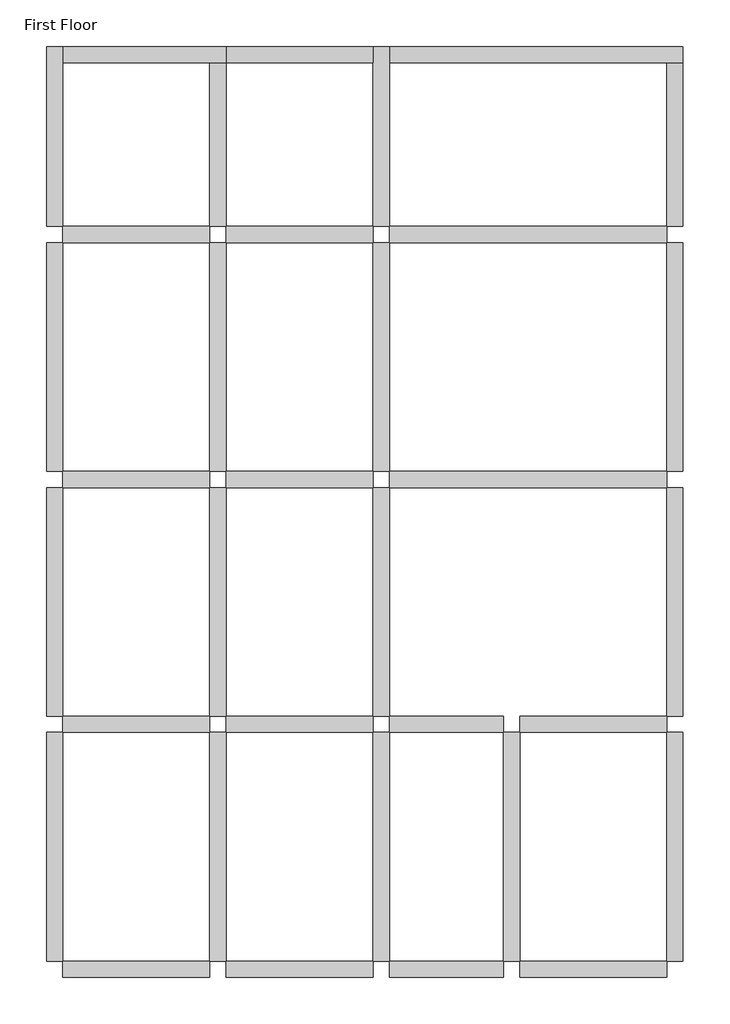
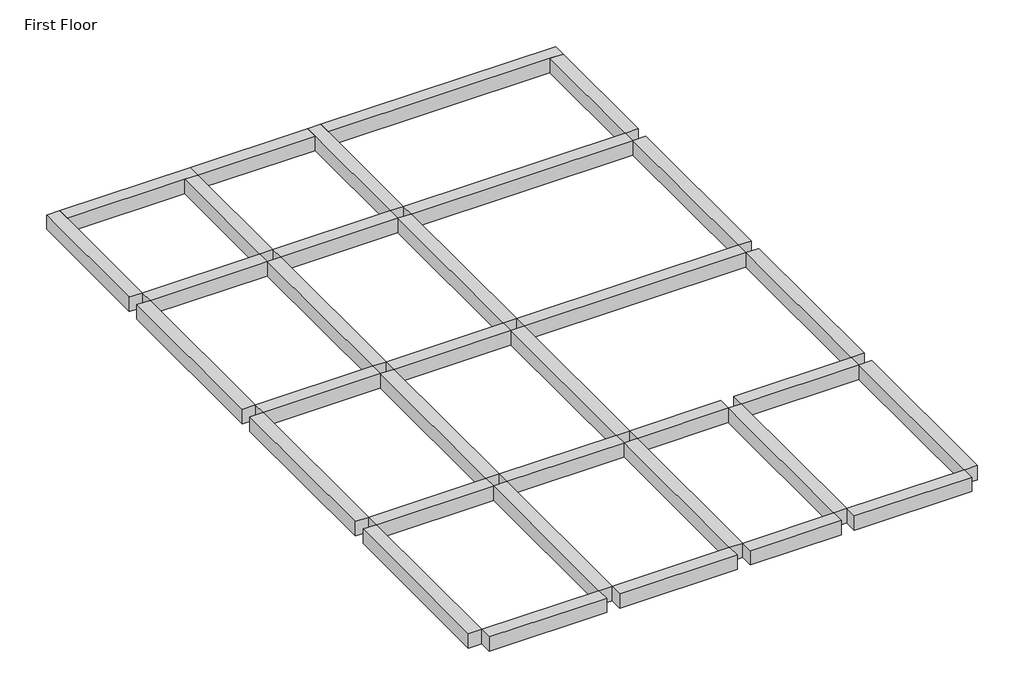
# One storey: 34 beams.
"""IFC4 building model written with IfcOpenShell, lengths in millimetres."""

from ifc_helpers import new_model, si_unit, frame, origin, place, context, project, spatial, polyline, outline, extrude, faceted_brep, element, save

model = new_model("IFC4")

# Units and contexts
model_context = context("Model", 3, world=origin())
ifc_project = project(units=[si_unit("LENGTHUNIT", "METRE", prefix="MILLI")], contexts=[model_context])

# Site, building, storey
site = spatial("IfcSite", under=ifc_project)
building = spatial("IfcBuilding", under=site)
storey = spatial("IfcBuildingStorey", under=building, Name="First Floor", Elevation=2870.2)

# Beams
placement = place(None, origin())
element("IfcBeam", 1, ObjectType="Concrete-Rectangular Beam", at=placement, inside=storey, context=model_context, shape_type="SweptSolid", body=[
    extrude(outline(polyline([(3162.1409002, -15344.0114294), (3162.1409002, -15039.2114294), (5905.3409002, -15039.2114294), (5905.3409002, -15344.0114294), (3162.1409002, -15344.0114294)])), frame((0.0, 0.0, 2514.6), z_axis=(0.0, 0.0, 1.0), x_axis=(1.0, 0.0, 0.0)), (0.0, 0.0, 1.0), 355.6),
])
element("IfcBeam", 2, ObjectType="Concrete-Rectangular Beam", at=placement, inside=storey, context=model_context, shape_type="SweptSolid", body=[
    extrude(outline(polyline([(8953.3409002, -15039.2114294), (8953.3409002, -15344.0114294), (6210.1409002, -15344.0114294), (6210.1409002, -15039.2114294), (8953.3409002, -15039.2114294)])), frame((0.0, 0.0, 2514.6), z_axis=(0.0, 0.0, 1.0), x_axis=(1.0, 0.0, 0.0)), (0.0, 0.0, 1.0), 355.6),
])
element("IfcBeam", 3, ObjectType="Concrete-Rectangular Beam", at=placement, inside=storey, context=model_context, shape_type="SweptSolid", body=[
    extrude(outline(polyline([(9258.1409002, -15344.0114294), (9258.1409002, -15039.2114294), (11391.7409002, -15039.2114294), (11391.7409002, -15344.0114294), (9258.1409002, -15344.0114294)])), frame((0.0, 0.0, 2514.6), z_axis=(0.0, 0.0, 1.0), x_axis=(1.0, 0.0, 0.0)), (0.0, 0.0, 1.0), 355.6),
])
element("IfcBeam", 4, ObjectType="Concrete-Rectangular Beam", at=placement, inside=storey, context=model_context, shape_type="SweptSolid", body=[
    extrude(outline(polyline([(11696.5409002, -15344.0114294), (11696.5409002, -15039.2114294), (14439.7409002, -15039.2114294), (14439.7409002, -15344.0114294), (11696.5409002, -15344.0114294)])), frame((0.0, 0.0, 2514.6), z_axis=(0.0, 0.0, 1.0), x_axis=(1.0, 0.0, 0.0)), (0.0, 0.0, 1.0), 355.6),
])
element("IfcBeam", 5, ObjectType="Concrete-Rectangular Beam", at=placement, inside=storey, context=model_context, shape_type="SweptSolid", body=[
    extrude(outline(polyline([(3162.1409002, -10772.0114294), (3162.1409002, -10467.2114294), (5905.3409002, -10467.2114294), (5905.3409002, -10772.0114294), (3162.1409002, -10772.0114294)])), frame((0.0, 0.0, 2514.6), z_axis=(0.0, 0.0, 1.0), x_axis=(1.0, 0.0, 0.0)), (0.0, 0.0, 1.0), 355.6),
])
element("IfcBeam", 6, ObjectType="Concrete-Rectangular Beam", at=placement, inside=storey, context=model_context, shape_type="SweptSolid", body=[
    extrude(outline(polyline([(8953.3409002, -10467.2114294), (8953.3409002, -10772.0114294), (6210.1409002, -10772.0114294), (6210.1409002, -10467.2114294), (8953.3409002, -10467.2114294)])), frame((0.0, 0.0, 2514.6), z_axis=(0.0, 0.0, 1.0), x_axis=(1.0, 0.0, 0.0)), (0.0, 0.0, 1.0), 355.6),
])
element("IfcBeam", 7, ObjectType="Concrete-Rectangular Beam", at=placement, inside=storey, context=model_context, shape_type="SweptSolid", body=[
    extrude(outline(polyline([(9258.1409002, -10772.0114294), (9258.1409002, -10467.2114294), (11391.7409002, -10467.2114294), (11391.7409002, -10772.0114294), (9258.1409002, -10772.0114294)])), frame((0.0, 0.0, 2514.6), z_axis=(0.0, 0.0, 1.0), x_axis=(1.0, 0.0, 0.0)), (0.0, 0.0, 1.0), 355.6),
])
element("IfcBeam", 8, ObjectType="Concrete-Rectangular Beam", at=placement, inside=storey, context=model_context, shape_type="SweptSolid", body=[
    extrude(outline(polyline([(11696.5409002, -10772.0114294), (11696.5409002, -10467.2114294), (14439.7409002, -10467.2114294), (14439.7409002, -10772.0114294), (11696.5409002, -10772.0114294)])), frame((0.0, 0.0, 2514.6), z_axis=(0.0, 0.0, 1.0), x_axis=(1.0, 0.0, 0.0)), (0.0, 0.0, 1.0), 355.6),
])
element("IfcBeam", 9, ObjectType="Concrete-Rectangular Beam", at=placement, inside=storey, context=model_context, shape_type="SweptSolid", body=[
    extrude(outline(polyline([(3162.1409002, -6200.0114294), (3162.1409002, -5895.2114294), (5905.3409002, -5895.2114294), (5905.3409002, -6200.0114294), (3162.1409002, -6200.0114294)])), frame((0.0, 0.0, 2514.6), z_axis=(0.0, 0.0, 1.0), x_axis=(1.0, 0.0, 0.0)), (0.0, 0.0, 1.0), 355.6),
])
element("IfcBeam", 10, ObjectType="Concrete-Rectangular Beam", at=placement, inside=storey, context=model_context, shape_type="SweptSolid", body=[
    extrude(outline(polyline([(8953.3409002, -5895.2114294), (8953.3409002, -6200.0114294), (6210.1409002, -6200.0114294), (6210.1409002, -5895.2114294), (8953.3409002, -5895.2114294)])), frame((0.0, 0.0, 2514.6), z_axis=(0.0, 0.0, 1.0), x_axis=(1.0, 0.0, 0.0)), (0.0, 0.0, 1.0), 355.6),
])
element("IfcBeam", 11, ObjectType="Concrete-Rectangular Beam", at=placement, inside=storey, context=model_context, shape_type="SweptSolid", body=[
    extrude(outline(polyline([(9258.1409002, -6200.0114294), (9258.1409002, -5895.2114294), (14439.7409002, -5895.2114294), (14439.7409002, -6200.0114294), (9258.1409002, -6200.0114294)])), frame((0.0, 0.0, 2514.6), z_axis=(0.0, 0.0, 1.0), x_axis=(1.0, 0.0, 0.0)), (0.0, 0.0, 1.0), 355.6),
])
element("IfcBeam", 12, ObjectType="Concrete-Rectangular Beam", at=placement, inside=storey, context=model_context, shape_type="Brep", body=[
    faceted_brep([(3162.1409002, 2029.5885706, 2870.2), (2857.3409002, 2029.5885706, 2870.2), (2857.3409002, -1323.2114294, 2870.2), (3162.1409002, -1323.2114294, 2870.2), (3162.1409002, 1724.7885706, 2870.2), (2857.3409002, 2029.5885706, 2514.6), (2857.3409002, -1323.2114294, 2514.6), (3162.1409002, 2029.5885706, 2514.6), (3162.1409002, 1724.7885706, 2514.6), (3162.1409002, -1323.2114294, 2514.6)], [[[0, 1, 2, 3, 4]], [[1, 5, 6, 2]], [[5, 7, 8, 9, 6]], [[7, 0, 4, 3, 9, 8]], [[3, 2, 6, 9]], [[1, 0, 7, 5]]]),
])
element("IfcBeam", 13, ObjectType="Concrete-Rectangular Beam", at=placement, inside=storey, context=model_context, shape_type="SweptSolid", body=[
    extrude(outline(polyline([(3162.1409002, -5895.2114294), (2857.3409002, -5895.2114294), (2857.3409002, -1628.0114294), (3162.1409002, -1628.0114294), (3162.1409002, -5895.2114294)])), frame((0.0, 0.0, 2514.6), z_axis=(0.0, 0.0, 1.0), x_axis=(1.0, 0.0, 0.0)), (0.0, 0.0, 1.0), 355.6),
])
element("IfcBeam", 14, ObjectType="Concrete-Rectangular Beam", at=placement, inside=storey, context=model_context, shape_type="SweptSolid", body=[
    extrude(outline(polyline([(3162.1409002, -10467.2114294), (2857.3409002, -10467.2114294), (2857.3409002, -6200.0114294), (3162.1409002, -6200.0114294), (3162.1409002, -10467.2114294)])), frame((0.0, 0.0, 2514.6), z_axis=(0.0, 0.0, 1.0), x_axis=(1.0, 0.0, 0.0)), (0.0, 0.0, 1.0), 355.6),
])
element("IfcBeam", 15, ObjectType="Concrete-Rectangular Beam", at=placement, inside=storey, context=model_context, shape_type="SweptSolid", body=[
    extrude(outline(polyline([(3162.1409002, -15039.2114294), (2857.3409002, -15039.2114294), (2857.3409002, -10772.0114294), (3162.1409002, -10772.0114294), (3162.1409002, -15039.2114294)])), frame((0.0, 0.0, 2514.6), z_axis=(0.0, 0.0, 1.0), x_axis=(1.0, 0.0, 0.0)), (0.0, 0.0, 1.0), 355.6),
])
element("IfcBeam", 16, ObjectType="Concrete-Rectangular Beam", at=placement, inside=storey, context=model_context, shape_type="Brep", body=[
    faceted_brep([(9258.1409002, 2029.5885706, 2870.2), (8953.3409002, 2029.5885706, 2870.2), (8953.3409002, 1724.7885706, 2870.2), (8953.3409002, -1323.2114294, 2870.2), (9258.1409002, -1323.2114294, 2870.2), (9258.1409002, 1724.7885706, 2870.2), (8953.3409002, 2029.5885706, 2514.6), (8953.3409002, 1724.7885706, 2514.6), (8953.3409002, -1323.2114294, 2514.6), (9258.1409002, 2029.5885706, 2514.6), (9258.1409002, 1724.7885706, 2514.6), (9258.1409002, -1323.2114294, 2514.6)], [[[0, 1, 2, 3, 4, 5]], [[1, 6, 7, 8, 3, 2]], [[6, 9, 10, 11, 8, 7]], [[9, 0, 5, 4, 11, 10]], [[4, 3, 8, 11]], [[1, 0, 9, 6]]]),
])
element("IfcBeam", 17, ObjectType="Concrete-Rectangular Beam", at=placement, inside=storey, context=model_context, shape_type="SweptSolid", body=[
    extrude(outline(polyline([(9258.1409002, -5895.2114294), (8953.3409002, -5895.2114294), (8953.3409002, -1628.0114294), (9258.1409002, -1628.0114294), (9258.1409002, -5895.2114294)])), frame((0.0, 0.0, 2514.6), z_axis=(0.0, 0.0, 1.0), x_axis=(1.0, 0.0, 0.0)), (0.0, 0.0, 1.0), 355.6),
])
element("IfcBeam", 18, ObjectType="Concrete-Rectangular Beam", at=placement, inside=storey, context=model_context, shape_type="SweptSolid", body=[
    extrude(outline(polyline([(9258.1409002, -10467.2114294), (8953.3409002, -10467.2114294), (8953.3409002, -6200.0114294), (9258.1409002, -6200.0114294), (9258.1409002, -10467.2114294)])), frame((0.0, 0.0, 2514.6), z_axis=(0.0, 0.0, 1.0), x_axis=(1.0, 0.0, 0.0)), (0.0, 0.0, 1.0), 355.6),
])
element("IfcBeam", 19, ObjectType="Concrete-Rectangular Beam", at=placement, inside=storey, context=model_context, shape_type="SweptSolid", body=[
    extrude(outline(polyline([(9258.1409002, -15039.2114294), (8953.3409002, -15039.2114294), (8953.3409002, -10772.0114294), (9258.1409002, -10772.0114294), (9258.1409002, -15039.2114294)])), frame((0.0, 0.0, 2514.6), z_axis=(0.0, 0.0, 1.0), x_axis=(1.0, 0.0, 0.0)), (0.0, 0.0, 1.0), 355.6),
])
element("IfcBeam", 20, ObjectType="Concrete-Rectangular Beam", at=placement, inside=storey, context=model_context, shape_type="SweptSolid", body=[
    extrude(outline(polyline([(11696.5409002, -15039.2114294), (11391.7409002, -15039.2114294), (11391.7409002, -10772.0114294), (11696.5409002, -10772.0114294), (11696.5409002, -15039.2114294)])), frame((0.0, 0.0, 2514.6), z_axis=(0.0, 0.0, 1.0), x_axis=(1.0, 0.0, 0.0)), (0.0, 0.0, 1.0), 355.6),
])
element("IfcBeam", 21, ObjectType="Concrete-Rectangular Beam", at=placement, inside=storey, context=model_context, shape_type="SweptSolid", body=[
    extrude(outline(polyline([(3162.1409002, -1628.0114294), (3162.1409002, -1323.2114294), (5905.3409002, -1323.2114294), (5905.3409002, -1628.0114294), (3162.1409002, -1628.0114294)])), frame((0.0, 0.0, 2514.6), z_axis=(0.0, 0.0, 1.0), x_axis=(1.0, 0.0, 0.0)), (0.0, 0.0, 1.0), 355.6),
])
element("IfcBeam", 22, ObjectType="Concrete-Rectangular Beam", at=placement, inside=storey, context=model_context, shape_type="SweptSolid", body=[
    extrude(outline(polyline([(8953.3409002, -1323.2114294), (8953.3409002, -1628.0114294), (6210.1409002, -1628.0114294), (6210.1409002, -1323.2114294), (8953.3409002, -1323.2114294)])), frame((0.0, 0.0, 2514.6), z_axis=(0.0, 0.0, 1.0), x_axis=(1.0, 0.0, 0.0)), (0.0, 0.0, 1.0), 355.6),
])
element("IfcBeam", 23, ObjectType="Concrete-Rectangular Beam", at=placement, inside=storey, context=model_context, shape_type="SweptSolid", body=[
    extrude(outline(polyline([(9258.1409002, -1628.0114294), (9258.1409002, -1323.2114294), (14439.7409002, -1323.2114294), (14439.7409002, -1628.0114294), (9258.1409002, -1628.0114294)])), frame((0.0, 0.0, 2514.6), z_axis=(0.0, 0.0, 1.0), x_axis=(1.0, 0.0, 0.0)), (0.0, 0.0, 1.0), 355.6),
])
element("IfcBeam", 24, ObjectType="Concrete-Rectangular Beam", at=placement, inside=storey, context=model_context, shape_type="Brep", body=[
    faceted_brep([(6210.1409002, 1724.7885706, 2870.2), (6210.1409002, 2029.5885706, 2870.2), (3162.1409002, 2029.5885706, 2870.2), (3162.1409002, 1724.7885706, 2870.2), (5905.3409002, 1724.7885706, 2870.2), (6210.1409002, 1724.7885706, 2514.6), (3162.1409002, 1724.7885706, 2514.6), (5905.3409002, 1724.7885706, 2514.6), (6210.1409002, 2029.5885706, 2514.6), (3162.1409002, 2029.5885706, 2514.6)], [[[0, 1, 2, 3, 4]], [[5, 0, 4, 3, 6, 7]], [[8, 5, 7, 6, 9]], [[1, 8, 9, 2]], [[3, 2, 9, 6]], [[1, 0, 5, 8]]]),
])
element("IfcBeam", 25, ObjectType="Concrete-Rectangular Beam", at=placement, inside=storey, context=model_context, shape_type="SweptSolid", body=[
    extrude(outline(polyline([(8953.3409002, 2029.5885706), (8953.3409002, 1724.7885706), (6210.1409002, 1724.7885706), (6210.1409002, 2029.5885706), (8953.3409002, 2029.5885706)])), frame((0.0, 0.0, 2514.6), z_axis=(0.0, 0.0, 1.0), x_axis=(1.0, 0.0, 0.0)), (0.0, 0.0, 1.0), 355.6),
])
element("IfcBeam", 26, ObjectType="Concrete-Rectangular Beam", at=placement, inside=storey, context=model_context, shape_type="Brep", body=[
    faceted_brep([(14744.5409002, 1724.7885706, 2870.2), (14744.5409002, 2029.5885706, 2870.2), (9258.1409002, 2029.5885706, 2870.2), (9258.1409002, 1724.7885706, 2870.2), (14439.7409002, 1724.7885706, 2870.2), (14744.5409002, 1724.7885706, 2514.6), (9258.1409002, 1724.7885706, 2514.6), (14439.7409002, 1724.7885706, 2514.6), (14744.5409002, 2029.5885706, 2514.6), (9258.1409002, 2029.5885706, 2514.6)], [[[0, 1, 2, 3, 4]], [[5, 0, 4, 3, 6, 7]], [[8, 5, 7, 6, 9]], [[1, 8, 9, 2]], [[3, 2, 9, 6]], [[1, 0, 5, 8]]]),
])
element("IfcBeam", 27, ObjectType="Concrete-Rectangular Beam", at=placement, inside=storey, context=model_context, shape_type="SweptSolid", body=[
    extrude(outline(polyline([(14744.5409002, -1323.2114294), (14439.7409002, -1323.2114294), (14439.7409002, 1724.7885706), (14744.5409002, 1724.7885706), (14744.5409002, -1323.2114294)])), frame((0.0, 0.0, 2514.6), z_axis=(0.0, 0.0, 1.0), x_axis=(1.0, 0.0, 0.0)), (0.0, 0.0, 1.0), 355.6),
])
element("IfcBeam", 28, ObjectType="Concrete-Rectangular Beam", at=placement, inside=storey, context=model_context, shape_type="SweptSolid", body=[
    extrude(outline(polyline([(14744.5409002, -5895.2114294), (14439.7409002, -5895.2114294), (14439.7409002, -1628.0114294), (14744.5409002, -1628.0114294), (14744.5409002, -5895.2114294)])), frame((0.0, 0.0, 2514.6), z_axis=(0.0, 0.0, 1.0), x_axis=(1.0, 0.0, 0.0)), (0.0, 0.0, 1.0), 355.6),
])
element("IfcBeam", 29, ObjectType="Concrete-Rectangular Beam", at=placement, inside=storey, context=model_context, shape_type="SweptSolid", body=[
    extrude(outline(polyline([(14744.5409002, -10467.2114294), (14439.7409002, -10467.2114294), (14439.7409002, -6200.0114294), (14744.5409002, -6200.0114294), (14744.5409002, -10467.2114294)])), frame((0.0, 0.0, 2514.6), z_axis=(0.0, 0.0, 1.0), x_axis=(1.0, 0.0, 0.0)), (0.0, 0.0, 1.0), 355.6),
])
element("IfcBeam", 30, ObjectType="Concrete-Rectangular Beam", at=placement, inside=storey, context=model_context, shape_type="SweptSolid", body=[
    extrude(outline(polyline([(14744.5409002, -15039.2114294), (14439.7409002, -15039.2114294), (14439.7409002, -10772.0114294), (14744.5409002, -10772.0114294), (14744.5409002, -15039.2114294)])), frame((0.0, 0.0, 2514.6), z_axis=(0.0, 0.0, 1.0), x_axis=(1.0, 0.0, 0.0)), (0.0, 0.0, 1.0), 355.6),
])
element("IfcBeam", 31, ObjectType="Concrete-Rectangular Beam", at=placement, inside=storey, context=model_context, shape_type="SweptSolid", body=[
    extrude(outline(polyline([(6210.1409002, -1323.2114294), (5905.3409002, -1323.2114294), (5905.3409002, 1724.7885706), (6210.1409002, 1724.7885706), (6210.1409002, -1323.2114294)])), frame((0.0, 0.0, 2514.6), z_axis=(0.0, 0.0, 1.0), x_axis=(1.0, 0.0, 0.0)), (0.0, 0.0, 1.0), 355.6),
])
element("IfcBeam", 32, ObjectType="Concrete-Rectangular Beam", at=placement, inside=storey, context=model_context, shape_type="SweptSolid", body=[
    extrude(outline(polyline([(6210.1409002, -5895.2114294), (5905.3409002, -5895.2114294), (5905.3409002, -1628.0114294), (6210.1409002, -1628.0114294), (6210.1409002, -5895.2114294)])), frame((0.0, 0.0, 2514.6), z_axis=(0.0, 0.0, 1.0), x_axis=(1.0, 0.0, 0.0)), (0.0, 0.0, 1.0), 355.6),
])
element("IfcBeam", 33, ObjectType="Concrete-Rectangular Beam", at=placement, inside=storey, context=model_context, shape_type="SweptSolid", body=[
    extrude(outline(polyline([(6210.1409002, -10467.2114294), (5905.3409002, -10467.2114294), (5905.3409002, -6200.0114294), (6210.1409002, -6200.0114294), (6210.1409002, -10467.2114294)])), frame((0.0, 0.0, 2514.6), z_axis=(0.0, 0.0, 1.0), x_axis=(1.0, 0.0, 0.0)), (0.0, 0.0, 1.0), 355.6),
])
element("IfcBeam", 34, ObjectType="Concrete-Rectangular Beam", at=placement, inside=storey, context=model_context, shape_type="SweptSolid", body=[
    extrude(outline(polyline([(6210.1409002, -15039.2114294), (5905.3409002, -15039.2114294), (5905.3409002, -10772.0114294), (6210.1409002, -10772.0114294), (6210.1409002, -15039.2114294)])), frame((0.0, 0.0, 2514.6), z_axis=(0.0, 0.0, 1.0), x_axis=(1.0, 0.0, 0.0)), (0.0, 0.0, 1.0), 355.6),
])

save(model, "model.ifc")
